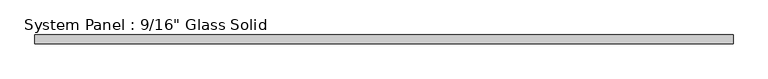
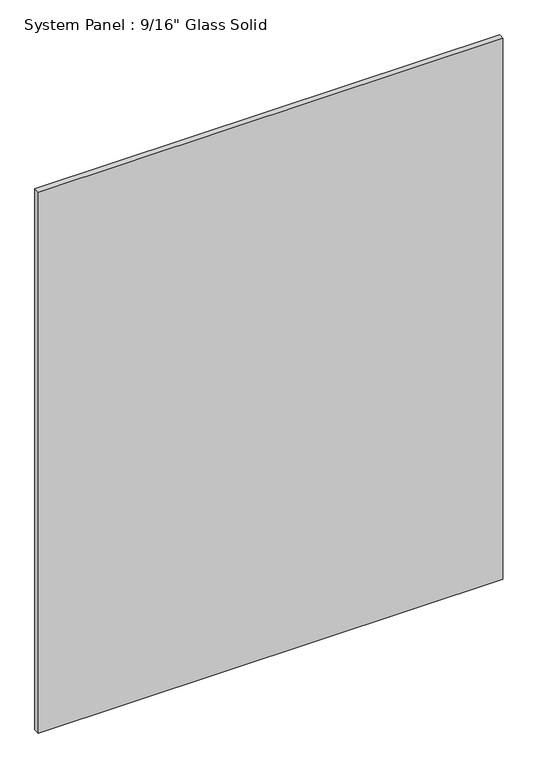
"""IFC4 building model written with IfcOpenShell, lengths in millimetres: plate geometry."""

from ifc_helpers import new_model, si_unit, origin, origin_with_axes, place, context, project, spatial, polyline, outline, extrude, source, transform, mapped, element, save


def plate_e7e026c3(model_context):
    return source(origin(), model_context, "Body", "SweptSolid", [
        extrude(outline(polyline([(577.8508852, -7.14375), (-577.8508852, -7.14375), (-577.8508852, 7.14375), (577.8508852, 7.14375), (577.8508852, -7.14375)])), origin_with_axes(), (0.0, 0.0, 1.0), 1422.2894027),
    ])


if __name__ == "__main__":
    model = new_model("IFC4")
    model_context = context("Model", 3, world=origin())
    ifc_project = project(units=[si_unit("LENGTHUNIT", "METRE", prefix="MILLI")], contexts=[model_context])
    site = spatial("IfcSite", under=ifc_project)
    building = spatial("IfcBuilding", under=site)
    placement = place(None, origin())
    plate_shape = plate_e7e026c3(model_context)
    element("IfcPlate", 1, ObjectType="System Panel : 9/16\" Glass Solid", at=placement, inside=building, context=model_context, shape_type="MappedRepresentation", body=[
        mapped(plate_shape, transform((0.0, 0.0, 0.0), x_axis=(1.0, 0.0, 0.0), y_axis=(0.0, 1.0, 0.0), z_axis=(0.0, 0.0, 1.0))),
    ])
    save(model, "model.ifc")
